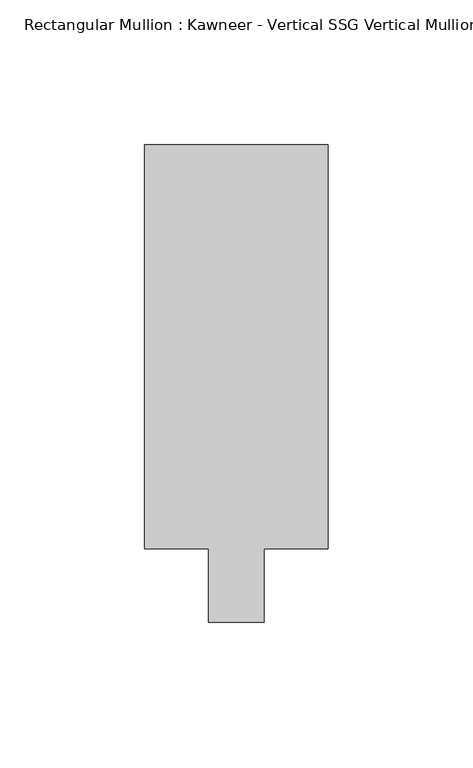
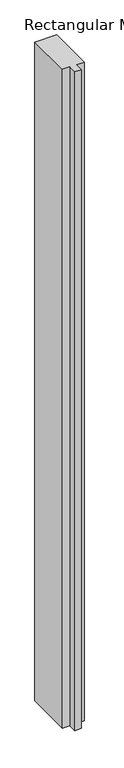
"""IFC4 building model written with IfcOpenShell, lengths in millimetres: member geometry."""

from ifc_helpers import new_model, si_unit, frame, origin, place, context, project, spatial, polyline, outline, extrude, source, transform, mapped, element, save


def member_64cbc1e2(model_context):
    return source(origin(), model_context, "Body", "SweptSolid", [
        extrude(outline(polyline([(-31.75, 12.7), (-31.75, 152.399995), (31.75, 152.399995), (31.75, 12.7), (9.5251132, 12.7), (9.5251132, -12.7), (-9.5251132, -12.7), (-9.5251132, 12.7), (-31.75, 12.7)])), frame((0.0, 0.0, -2043.7430277), z_axis=(0.0, 0.0, 1.0), x_axis=(1.0, 0.0, 0.0)), (0.0, 0.0, 1.0), 2043.7430277),
    ])


if __name__ == "__main__":
    model = new_model("IFC4")
    model_context = context("Model", 3, world=origin())
    ifc_project = project(units=[si_unit("LENGTHUNIT", "METRE", prefix="MILLI")], contexts=[model_context])
    site = spatial("IfcSite", under=ifc_project)
    building = spatial("IfcBuilding", under=site)
    placement = place(None, origin())
    member_shape = member_64cbc1e2(model_context)
    element("IfcMember", 1, ObjectType="Rectangular Mullion : Kawneer - Vertical SSG Vertical Mullion - 7 1/2\"", at=placement, inside=building, context=model_context, shape_type="MappedRepresentation", body=[
        mapped(member_shape, transform((0.0, 0.0, 0.0), x_axis=(1.0, 0.0, 0.0), y_axis=(0.0, 1.0, 0.0), z_axis=(0.0, 0.0, 1.0))),
    ])
    save(model, "model.ifc")
